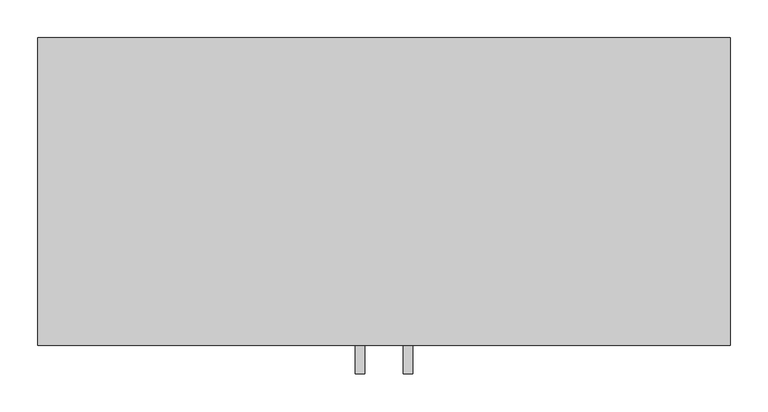
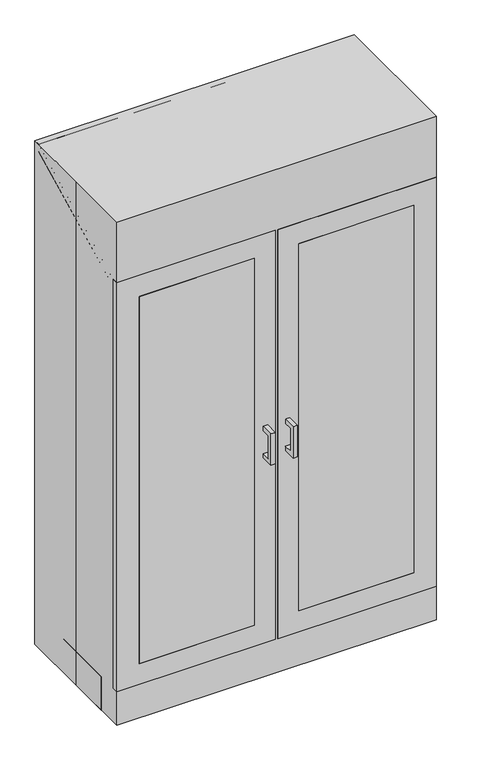
"""IFC4 building model written with IfcOpenShell, lengths in millimetres: proxy geometry."""

from ifc_helpers import new_model, si_unit, frame, origin, origin_with_axes, place, context, project, spatial, polyline, outline, extrude, faceted_brep, source, transform, mapped, element, save


def specialty_equipment_642351b7(model_context):
    return source(origin(), model_context, "Body", "SolidModel", [
        extrude(outline(polyline([(-241.2716405, 758.825), (-203.1905468, 758.825), (-203.1905468, 746.1553499), (-228.6019905, 746.1553499), (-228.6019905, 676.2824627), (-203.1905468, 676.2824627), (-203.1905468, 663.6128126), (-241.2716405, 663.6128126), (-241.2716405, 758.825)])), frame((25.5488281, 0.0, 0.0), z_axis=(1.0, 0.0, 0.0), x_axis=(0.0, 1.0, 0.0)), (0.0, 0.0, 1.0), 12.4023438),
        extrude(outline(polyline([(-63.5, -203.2), (-393.7, -203.2), (-393.7, -196.85), (-63.5, -196.85), (-63.5, -203.2)])), frame((0.0, 0.0, 165.1), z_axis=(0.0, 0.0, 1.0), x_axis=(1.0, 0.0, 0.0)), (0.0, 0.0, 1.0), 1111.25),
        extrude(outline(polyline([(-241.2716405, 758.825), (-203.1905468, 758.825), (-203.1905468, 746.1553499), (-228.6019905, 746.1553499), (-228.6019905, 676.2824627), (-203.1905468, 676.2824627), (-203.1905468, 663.6128126), (-241.2716405, 663.6128126), (-241.2716405, 758.825)])), frame((-37.9511719, 0.0, 0.0), z_axis=(1.0, 0.0, 0.0), x_axis=(0.0, 1.0, 0.0)), (0.0, 0.0, 1.0), 12.4023438),
        extrude(outline(polyline([(1339.85, -457.2), (101.6, -457.2), (101.6, -3.175), (1339.85, -3.175), (1339.85, -457.2)]), holes=[polyline([(165.1, -393.7), (1276.35, -393.7), (1276.35, -63.5), (165.1, -63.5), (165.1, -393.7)])]), frame((0.0, -203.2, 0.0), z_axis=(0.0, 1.0, 0.0), x_axis=(0.0, 0.0, 1.0)), (0.0, 0.0, 1.0), 19.05),
        extrude(outline(polyline([(393.7, -203.2), (63.5, -203.2), (63.5, -196.85), (393.7, -196.85), (393.7, -203.2)])), frame((0.0, 0.0, 165.1), z_axis=(0.0, 0.0, 1.0), x_axis=(1.0, 0.0, 0.0)), (0.0, 0.0, 1.0), 1111.25),
        extrude(outline(polyline([(1339.85, 457.2), (1339.85, 3.175), (101.6, 3.175), (101.6, 457.2), (1339.85, 457.2)]), holes=[polyline([(1276.35, 393.7), (165.1, 393.7), (165.1, 63.5), (1276.35, 63.5), (1276.35, 393.7)])]), frame((0.0, -203.2, 0.0), z_axis=(0.0, 1.0, 0.0), x_axis=(0.0, 0.0, 1.0)), (0.0, 0.0, 1.0), 19.05),
        extrude(outline(polyline([(438.15, -184.15), (-438.15, -184.15), (-438.15, 184.15), (438.15, 184.15), (438.15, -184.15)])), frame((0.0, 0.0, 1003.3), z_axis=(0.0, 0.0, 1.0), x_axis=(1.0, 0.0, 0.0)), (0.0, 0.0, 1.0), 25.4),
        extrude(outline(polyline([(438.15, -184.15), (-438.15, -184.15), (-438.15, 184.15), (438.15, 184.15), (438.15, -184.15)])), frame((0.0, 0.0, 698.5), z_axis=(0.0, 0.0, 1.0), x_axis=(1.0, 0.0, 0.0)), (0.0, 0.0, 1.0), 25.4),
        extrude(outline(polyline([(438.15, -184.15), (-438.15, -184.15), (-438.15, 184.15), (438.15, 184.15), (438.15, -184.15)])), frame((0.0, 0.0, 400.05), z_axis=(0.0, 0.0, 1.0), x_axis=(1.0, 0.0, 0.0)), (0.0, 0.0, 1.0), 25.4),
        faceted_brep([(-457.2, 203.2, 1524.0), (-457.2, 0.0, 1524.0), (-457.2, -203.2, 1524.0), (457.2, -203.2, 1524.0), (457.2, 203.2, 1524.0), (-457.2, 203.2, 0.0), (457.2, 203.2, 0.0), (457.2, -203.2, 0.0), (-457.2, -203.2, 0.0), (-457.2, 0.0, 0.0), (393.7, -203.2, 1276.35), (393.7, -203.2, 165.1), (63.5, -203.2, 165.1), (63.5, -203.2, 1276.35), (-393.7, -203.2, 165.1), (-393.7, -203.2, 1276.35), (-63.5, -203.2, 1276.35), (-63.5, -203.2, 165.1), (393.7, -184.15, 1276.35), (393.7, -184.15, 165.1), (63.5, -184.15, 1276.35), (63.5, -184.15, 165.1), (-393.7, -184.15, 1276.35), (-393.7, -184.15, 165.1), (-63.5, -184.15, 1276.35), (-63.5, -184.15, 165.1)], [[[0, 1, 2, 3, 4]], [[5, 6, 7, 8, 9]], [[1, 0, 5, 9]], [[2, 1, 9, 8]], [[3, 2, 8, 7], [10, 11, 12, 13], [14, 15, 16, 17]], [[4, 3, 7, 6]], [[0, 4, 6, 5]], [[18, 19, 11, 10]], [[20, 13, 12, 21]], [[18, 10, 13, 20]], [[11, 19, 21, 12]], [[19, 18, 20, 21]], [[22, 15, 14, 23]], [[24, 25, 17, 16]], [[15, 22, 24, 16]], [[23, 14, 17, 25]], [[22, 23, 25, 24]]]),
        extrude(outline(polyline([(184.15, 1502.7014525), (184.15, 101.6), (-184.15, 101.6), (-184.15, 1318.5514525), (184.15, 1502.7014525)])), frame((-457.2, 0.0, 0.0), z_axis=(1.0, 0.0, 0.0), x_axis=(0.0, 1.0, 0.0)), (0.0, 0.0, 1.0), 19.05),
        extrude(outline(polyline([(184.15, 1502.7014525), (184.15, 101.6), (-184.15, 101.6), (-184.15, 1318.5514525), (184.15, 1502.7014525)])), frame((438.15, 0.0, 0.0), z_axis=(1.0, 0.0, 0.0), x_axis=(0.0, 1.0, 0.0)), (0.0, 0.0, 1.0), 19.05),
        extrude(outline(polyline([(-438.15, 184.15), (-438.15, -127.0), (-457.2, -127.0), (-457.2, 184.15), (-438.15, 184.15)])), origin_with_axes(), (0.0, 0.0, 1.0), 101.6),
        extrude(outline(polyline([(457.2, 184.15), (457.2, -127.0), (438.15, -127.0), (438.15, 184.15), (457.2, 184.15)])), origin_with_axes(), (0.0, 0.0, 1.0), 101.6),
        extrude(outline(polyline([(-184.15, 1339.85), (184.15, 1524.0), (184.15, 1502.7014525), (-184.15, 1318.5514525), (-184.15, 1339.85)])), frame((-457.2, 0.0, 0.0), z_axis=(1.0, 0.0, 0.0), x_axis=(0.0, 1.0, 0.0)), (0.0, 0.0, 1.0), 914.4),
        extrude(outline(polyline([(438.15, -184.15), (-438.15, -184.15), (-438.15, 184.15), (438.15, 184.15), (438.15, -184.15)])), frame((0.0, 0.0, 101.6), z_axis=(0.0, 0.0, 1.0), x_axis=(1.0, 0.0, 0.0)), (0.0, 0.0, 1.0), 25.4),
        extrude(outline(polyline([(457.2, -107.95), (457.2, -127.0), (-457.2, -127.0), (-457.2, -107.95), (457.2, -107.95)])), origin_with_axes(), (0.0, 0.0, 1.0), 101.6),
        extrude(outline(polyline([(457.2, 184.15), (-457.2, 184.15), (-457.2, 203.2), (457.2, 203.2), (457.2, 184.15)])), origin_with_axes(), (0.0, 0.0, 1.0), 1524.0),
    ])


if __name__ == "__main__":
    model = new_model("IFC4")
    model_context = context("Model", 3, world=origin())
    ifc_project = project(units=[si_unit("LENGTHUNIT", "METRE", prefix="MILLI")], contexts=[model_context])
    site = spatial("IfcSite", under=ifc_project)
    building = spatial("IfcBuilding", under=site)
    placement = place(None, origin())
    specialty_equipment_shape = specialty_equipment_642351b7(model_context)
    element("IfcBuildingElementProxy", 1, Name="Specialty Equipment", at=placement, inside=building, context=model_context, shape_type="MappedRepresentation", body=[
        mapped(specialty_equipment_shape, transform((0.0, 0.0, 0.0), x_axis=(1.0, 0.0, 0.0), y_axis=(0.0, 1.0, 0.0), z_axis=(0.0, 0.0, 1.0))),
    ])
    save(model, "model.ifc")
